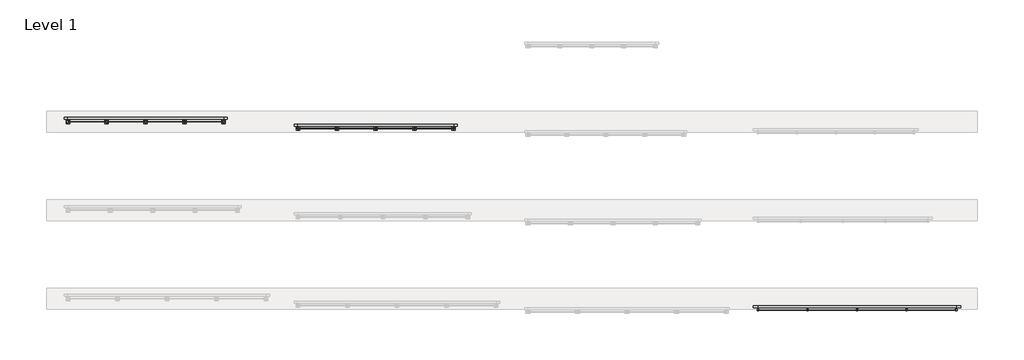
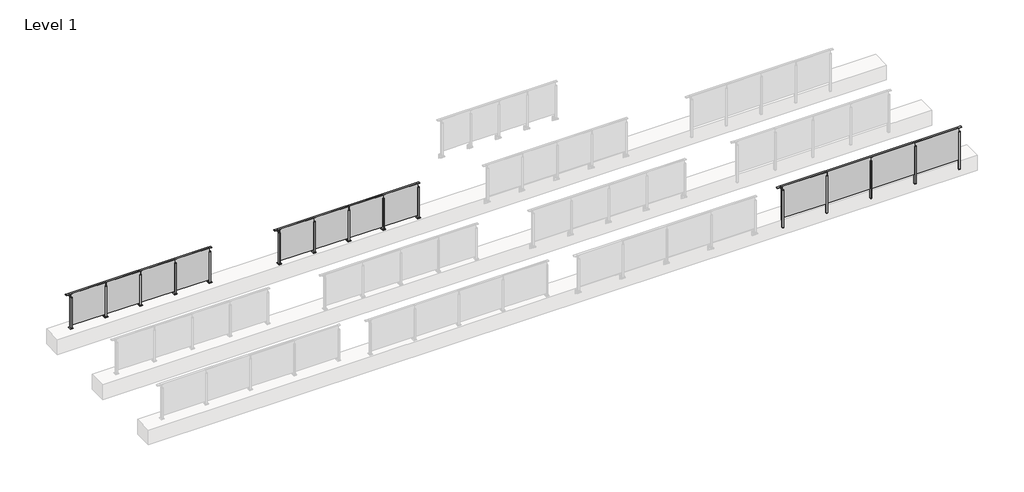
# One storey, part 62 of 64: 3 railings.
"""IFC4 building model written with IfcOpenShell, lengths in millimetres."""

from ifc_helpers import new_model, si_unit, point, frame, frame_2d, origin, origin_with_axes, place, context, project, spatial, polyline, circle_curve, trimmed, segment, composite_curve, outline, extrude, faceted_brep, element, save

model = new_model("IFC4")

# Units and contexts
model_context = context("Model", 3, world=origin())
ifc_project = project(units=[si_unit("LENGTHUNIT", "METRE", prefix="MILLI")], contexts=[model_context])

# Site, building, storey
site = spatial("IfcSite", under=ifc_project)
building = spatial("IfcBuilding", under=site)
storey = spatial("IfcBuildingStorey", under=building, Name="Level 1", Elevation=0.0)

# Railings
placement = place(None, origin())
element("IfcRailing", 1, at=placement, inside=storey, context=model_context, shape_type="SolidModel", body=[
    faceted_brep([(49500.0, 44993.1846828, 1085.0), (49500.0, 44993.1846828, 1100.0), (55100.0, 44993.1846828, 1100.0), (55100.0, 44993.1846828, 1085.0), (49500.0, 44933.1846828, 1085.0), (49500.0, 44973.1846828, 1085.0), (55100.0, 44973.1846828, 1085.0), (55100.0, 44933.1846828, 1085.0), (49500.0, 44933.1846828, 1100.0), (55100.0, 44933.1846828, 1100.0), (49372.5, 44993.1846828, 1100.0), (49372.5, 44993.1846828, 1085.0), (49372.5, 44978.1846828, 1085.0), (49372.5, 44978.1846828, 1073.0), (49372.5, 44973.1846828, 1073.0), (49372.5, 44973.1846828, 1085.0), (49372.5, 44933.1846828, 1085.0), (49372.5, 44933.1846828, 1100.0), (55227.5, 44993.1846828, 1100.0), (55227.5, 44933.1846828, 1100.0), (55227.5, 44933.1846828, 1085.0), (55227.5, 44973.1846828, 1085.0), (55227.5, 44973.1846828, 1073.0), (55227.5, 44978.1846828, 1073.0), (55227.5, 44978.1846828, 1085.0), (55227.5, 44993.1846828, 1085.0), (49500.0, 44978.1846828, 1085.0), (55100.0, 44978.1846828, 1085.0), (49500.0, 44978.1846828, 1073.0), (49500.0, 44973.1846828, 1073.0), (55100.0, 44978.1846828, 1073.0), (55100.0, 44973.1846828, 1073.0)], [[[0, 1, 2, 3]], [[4, 5, 6, 7]], [[8, 4, 7, 9]], [[1, 8, 9, 2]], [[10, 11, 12, 13, 14, 15, 16, 17]], [[11, 10, 1, 0]], [[16, 15, 5, 4]], [[17, 16, 4, 8]], [[10, 17, 8, 1]], [[18, 19, 20, 21, 22, 23, 24, 25]], [[3, 2, 18, 25]], [[7, 6, 21, 20]], [[9, 7, 20, 19]], [[2, 9, 19, 18]], [[12, 11, 0, 26]], [[26, 0, 3, 27]], [[27, 3, 25, 24]], [[13, 12, 26, 28]], [[14, 13, 28, 29]], [[15, 14, 29, 5]], [[28, 26, 27, 30]], [[29, 28, 30, 31]], [[5, 29, 31, 6]], [[30, 27, 24, 23]], [[31, 30, 23, 22]], [[6, 31, 22, 21]]]),
    extrude(outline(polyline([(53710.0, 44861.9094929), (53710.0, 44871.9094929), (55090.0, 44871.9094929), (55090.0, 44861.9094929), (53710.0, 44861.9094929)])), frame((0.0, 0.0, 95.0), z_axis=(0.0, 0.0, 1.0), x_axis=(1.0, 0.0, 0.0)), (0.0, 0.0, 1.0), 1055.0),
    extrude(outline(composite_curve([segment(polyline([(44978.1846828, 1085.0), (44978.1846828, 1060.900037)]), True, "CONTINUOUS"), segment(trimmed(circle_curve(frame_2d((44968.1846828, 1060.900037)), 10.0), [point((44978.1846828, 1060.900037))], [point((44970.7728733, 1051.2407787))], False, "CARTESIAN"), True, "CONTINUOUS"), segment(polyline([(44970.7728733, 1051.2407787), (44913.7244733, 1035.9547061)]), True, "CONTINUOUS"), segment(trimmed(circle_curve(frame_2d((44916.3126638, 1026.2954478)), 10.0), [point((44913.7244733, 1035.9547061))], [point((44906.3982152, 1027.6007097))], True, "CARTESIAN"), True, "CONTINUOUS"), segment(polyline([(44906.3982152, 1027.6007097), (44901.791393, 992.6084214)]), True, "CONTINUOUS"), segment(trimmed(circle_curve(frame_2d((44898.8170584, 993.0)), 3.0), [point((44901.791393, 992.6084214))], [point((44898.8170584, 990.0))], False, "CARTESIAN"), True, "CONTINUOUS"), segment(polyline([(44898.8170584, 990.0), (44890.1846828, 990.0), (44890.1846828, 1040.0), (44954.1846828, 1057.1487483), (44954.1846828, 1085.0), (44978.1846828, 1085.0)]), True, "CONTINUOUS")], self_intersect=False)), frame((53687.5, 0.0, 0.0), z_axis=(1.0, 0.0, 0.0), x_axis=(0.0, 1.0, 0.0)), (0.0, 0.0, 1.0), 25.0),
    extrude(outline(polyline([(53722.5, 44890.1846828), (53722.5, 44845.1846828), (53677.5, 44845.1846828), (53677.5, 44890.1846828), (53722.5, 44890.1846828)])), frame((0.0, 0.0, 1040.0), z_axis=(0.0, 0.0, 1.0), x_axis=(1.0, 0.0, 0.0)), (0.0, 0.0, 1.0), 5.0),
    extrude(outline(polyline([(53722.5, 44890.1846828), (53722.5, 44845.1846828), (53677.5, 44845.1846828), (53677.5, 44890.1846828), (53722.5, 44890.1846828)])), frame((0.0, 0.0, -212.0), z_axis=(0.0, 0.0, 1.0), x_axis=(1.0, 0.0, 0.0)), (0.0, 0.0, 1.0), 1252.0),
    extrude(outline(polyline([(53722.5, 44890.1846828), (53722.5, 44845.1846828), (53677.5, 44845.1846828), (53677.5, 44890.1846828), (53722.5, 44890.1846828)])), frame((0.0, 0.0, -220.0), z_axis=(0.0, 0.0, 1.0), x_axis=(1.0, 0.0, 0.0)), (0.0, 0.0, 1.0), 8.0),
    extrude(outline(polyline([(52310.0, 44861.9094929), (52310.0, 44871.9094929), (53690.0, 44871.9094929), (53690.0, 44861.9094929), (52310.0, 44861.9094929)])), frame((0.0, 0.0, 95.0), z_axis=(0.0, 0.0, 1.0), x_axis=(1.0, 0.0, 0.0)), (0.0, 0.0, 1.0), 1055.0),
    extrude(outline(composite_curve([segment(polyline([(44978.1846828, 1085.0), (44978.1846828, 1060.900037)]), True, "CONTINUOUS"), segment(trimmed(circle_curve(frame_2d((44968.1846828, 1060.900037)), 10.0), [point((44978.1846828, 1060.900037))], [point((44970.7728733, 1051.2407787))], False, "CARTESIAN"), True, "CONTINUOUS"), segment(polyline([(44970.7728733, 1051.2407787), (44913.7244733, 1035.9547061)]), True, "CONTINUOUS"), segment(trimmed(circle_curve(frame_2d((44916.3126638, 1026.2954478)), 10.0), [point((44913.7244733, 1035.9547061))], [point((44906.3982152, 1027.6007097))], True, "CARTESIAN"), True, "CONTINUOUS"), segment(polyline([(44906.3982152, 1027.6007097), (44901.791393, 992.6084214)]), True, "CONTINUOUS"), segment(trimmed(circle_curve(frame_2d((44898.8170584, 993.0)), 3.0), [point((44901.791393, 992.6084214))], [point((44898.8170584, 990.0))], False, "CARTESIAN"), True, "CONTINUOUS"), segment(polyline([(44898.8170584, 990.0), (44890.1846828, 990.0), (44890.1846828, 1040.0), (44954.1846828, 1057.1487483), (44954.1846828, 1085.0), (44978.1846828, 1085.0)]), True, "CONTINUOUS")], self_intersect=False)), frame((52287.5, 0.0, 0.0), z_axis=(1.0, 0.0, 0.0), x_axis=(0.0, 1.0, 0.0)), (0.0, 0.0, 1.0), 25.0),
    extrude(outline(polyline([(52322.5, 44890.1846828), (52322.5, 44845.1846828), (52277.5, 44845.1846828), (52277.5, 44890.1846828), (52322.5, 44890.1846828)])), frame((0.0, 0.0, 1040.0), z_axis=(0.0, 0.0, 1.0), x_axis=(1.0, 0.0, 0.0)), (0.0, 0.0, 1.0), 5.0),
    extrude(outline(polyline([(52322.5, 44890.1846828), (52322.5, 44845.1846828), (52277.5, 44845.1846828), (52277.5, 44890.1846828), (52322.5, 44890.1846828)])), frame((0.0, 0.0, -212.0), z_axis=(0.0, 0.0, 1.0), x_axis=(1.0, 0.0, 0.0)), (0.0, 0.0, 1.0), 1252.0),
    extrude(outline(polyline([(52322.5, 44890.1846828), (52322.5, 44845.1846828), (52277.5, 44845.1846828), (52277.5, 44890.1846828), (52322.5, 44890.1846828)])), frame((0.0, 0.0, -220.0), z_axis=(0.0, 0.0, 1.0), x_axis=(1.0, 0.0, 0.0)), (0.0, 0.0, 1.0), 8.0),
    extrude(outline(polyline([(50910.0, 44861.9094929), (50910.0, 44871.9094929), (52290.0, 44871.9094929), (52290.0, 44861.9094929), (50910.0, 44861.9094929)])), frame((0.0, 0.0, 95.0), z_axis=(0.0, 0.0, 1.0), x_axis=(1.0, 0.0, 0.0)), (0.0, 0.0, 1.0), 1055.0),
    extrude(outline(composite_curve([segment(polyline([(44978.1846828, 1085.0), (44978.1846828, 1060.900037)]), True, "CONTINUOUS"), segment(trimmed(circle_curve(frame_2d((44968.1846828, 1060.900037)), 10.0), [point((44978.1846828, 1060.900037))], [point((44970.7728733, 1051.2407787))], False, "CARTESIAN"), True, "CONTINUOUS"), segment(polyline([(44970.7728733, 1051.2407787), (44913.7244733, 1035.9547061)]), True, "CONTINUOUS"), segment(trimmed(circle_curve(frame_2d((44916.3126638, 1026.2954478)), 10.0), [point((44913.7244733, 1035.9547061))], [point((44906.3982152, 1027.6007097))], True, "CARTESIAN"), True, "CONTINUOUS"), segment(polyline([(44906.3982152, 1027.6007097), (44901.791393, 992.6084214)]), True, "CONTINUOUS"), segment(trimmed(circle_curve(frame_2d((44898.8170584, 993.0)), 3.0), [point((44901.791393, 992.6084214))], [point((44898.8170584, 990.0))], False, "CARTESIAN"), True, "CONTINUOUS"), segment(polyline([(44898.8170584, 990.0), (44890.1846828, 990.0), (44890.1846828, 1040.0), (44954.1846828, 1057.1487483), (44954.1846828, 1085.0), (44978.1846828, 1085.0)]), True, "CONTINUOUS")], self_intersect=False)), frame((50887.5, 0.0, 0.0), z_axis=(1.0, 0.0, 0.0), x_axis=(0.0, 1.0, 0.0)), (0.0, 0.0, 1.0), 25.0),
    extrude(outline(polyline([(50922.5, 44890.1846828), (50922.5, 44845.1846828), (50877.5, 44845.1846828), (50877.5, 44890.1846828), (50922.5, 44890.1846828)])), frame((0.0, 0.0, 1040.0), z_axis=(0.0, 0.0, 1.0), x_axis=(1.0, 0.0, 0.0)), (0.0, 0.0, 1.0), 5.0),
    extrude(outline(polyline([(50922.5, 44890.1846828), (50922.5, 44845.1846828), (50877.5, 44845.1846828), (50877.5, 44890.1846828), (50922.5, 44890.1846828)])), frame((0.0, 0.0, -212.0), z_axis=(0.0, 0.0, 1.0), x_axis=(1.0, 0.0, 0.0)), (0.0, 0.0, 1.0), 1252.0),
    extrude(outline(polyline([(50922.5, 44890.1846828), (50922.5, 44845.1846828), (50877.5, 44845.1846828), (50877.5, 44890.1846828), (50922.5, 44890.1846828)])), frame((0.0, 0.0, -220.0), z_axis=(0.0, 0.0, 1.0), x_axis=(1.0, 0.0, 0.0)), (0.0, 0.0, 1.0), 8.0),
    extrude(outline(polyline([(49510.0, 44861.9094929), (49510.0, 44871.9094929), (50890.0, 44871.9094929), (50890.0, 44861.9094929), (49510.0, 44861.9094929)])), frame((0.0, 0.0, 95.0), z_axis=(0.0, 0.0, 1.0), x_axis=(1.0, 0.0, 0.0)), (0.0, 0.0, 1.0), 1055.0),
    extrude(outline(composite_curve([segment(polyline([(44978.1846828, 1085.0), (44978.1846828, 1060.900037)]), True, "CONTINUOUS"), segment(trimmed(circle_curve(frame_2d((44968.1846828, 1060.900037)), 10.0), [point((44978.1846828, 1060.900037))], [point((44970.7728733, 1051.2407787))], False, "CARTESIAN"), True, "CONTINUOUS"), segment(polyline([(44970.7728733, 1051.2407787), (44913.7244733, 1035.9547061)]), True, "CONTINUOUS"), segment(trimmed(circle_curve(frame_2d((44916.3126638, 1026.2954478)), 10.0), [point((44913.7244733, 1035.9547061))], [point((44906.3982152, 1027.6007097))], True, "CARTESIAN"), True, "CONTINUOUS"), segment(polyline([(44906.3982152, 1027.6007097), (44901.791393, 992.6084214)]), True, "CONTINUOUS"), segment(trimmed(circle_curve(frame_2d((44898.8170584, 993.0)), 3.0), [point((44901.791393, 992.6084214))], [point((44898.8170584, 990.0))], False, "CARTESIAN"), True, "CONTINUOUS"), segment(polyline([(44898.8170584, 990.0), (44890.1846828, 990.0), (44890.1846828, 1040.0), (44954.1846828, 1057.1487483), (44954.1846828, 1085.0), (44978.1846828, 1085.0)]), True, "CONTINUOUS")], self_intersect=False)), frame((55087.5, 0.0, 0.0), z_axis=(1.0, 0.0, 0.0), x_axis=(0.0, 1.0, 0.0)), (0.0, 0.0, 1.0), 25.0),
    extrude(outline(polyline([(55122.5, 44890.1846828), (55122.5, 44845.1846828), (55077.5, 44845.1846828), (55077.5, 44890.1846828), (55122.5, 44890.1846828)])), frame((0.0, 0.0, 1040.0), z_axis=(0.0, 0.0, 1.0), x_axis=(1.0, 0.0, 0.0)), (0.0, 0.0, 1.0), 5.0),
    extrude(outline(polyline([(55122.5, 44890.1846828), (55122.5, 44845.1846828), (55077.5, 44845.1846828), (55077.5, 44890.1846828), (55122.5, 44890.1846828)])), frame((0.0, 0.0, -212.0), z_axis=(0.0, 0.0, 1.0), x_axis=(1.0, 0.0, 0.0)), (0.0, 0.0, 1.0), 1252.0),
    extrude(outline(polyline([(55122.5, 44890.1846828), (55122.5, 44845.1846828), (55077.5, 44845.1846828), (55077.5, 44890.1846828), (55122.5, 44890.1846828)])), frame((0.0, 0.0, -220.0), z_axis=(0.0, 0.0, 1.0), x_axis=(1.0, 0.0, 0.0)), (0.0, 0.0, 1.0), 8.0),
    extrude(outline(composite_curve([segment(polyline([(44978.1846828, 1085.0), (44978.1846828, 1060.900037)]), True, "CONTINUOUS"), segment(trimmed(circle_curve(frame_2d((44968.1846828, 1060.900037)), 10.0), [point((44978.1846828, 1060.900037))], [point((44970.7728733, 1051.2407787))], False, "CARTESIAN"), True, "CONTINUOUS"), segment(polyline([(44970.7728733, 1051.2407787), (44913.7244733, 1035.9547061)]), True, "CONTINUOUS"), segment(trimmed(circle_curve(frame_2d((44916.3126638, 1026.2954478)), 10.0), [point((44913.7244733, 1035.9547061))], [point((44906.3982152, 1027.6007097))], True, "CARTESIAN"), True, "CONTINUOUS"), segment(polyline([(44906.3982152, 1027.6007097), (44901.791393, 992.6084214)]), True, "CONTINUOUS"), segment(trimmed(circle_curve(frame_2d((44898.8170584, 993.0)), 3.0), [point((44901.791393, 992.6084214))], [point((44898.8170584, 990.0))], False, "CARTESIAN"), True, "CONTINUOUS"), segment(polyline([(44898.8170584, 990.0), (44890.1846828, 990.0), (44890.1846828, 1040.0), (44954.1846828, 1057.1487483), (44954.1846828, 1085.0), (44978.1846828, 1085.0)]), True, "CONTINUOUS")], self_intersect=False)), frame((49487.5, 0.0, 0.0), z_axis=(1.0, 0.0, 0.0), x_axis=(0.0, 1.0, 0.0)), (0.0, 0.0, 1.0), 25.0),
    extrude(outline(polyline([(49522.5, 44890.1846828), (49522.5, 44845.1846828), (49477.5, 44845.1846828), (49477.5, 44890.1846828), (49522.5, 44890.1846828)])), frame((0.0, 0.0, 1040.0), z_axis=(0.0, 0.0, 1.0), x_axis=(1.0, 0.0, 0.0)), (0.0, 0.0, 1.0), 5.0),
    extrude(outline(polyline([(49522.5, 44890.1846828), (49522.5, 44845.1846828), (49477.5, 44845.1846828), (49477.5, 44890.1846828), (49522.5, 44890.1846828)])), frame((0.0, 0.0, -212.0), z_axis=(0.0, 0.0, 1.0), x_axis=(1.0, 0.0, 0.0)), (0.0, 0.0, 1.0), 1252.0),
    extrude(outline(polyline([(49522.5, 44890.1846828), (49522.5, 44845.1846828), (49477.5, 44845.1846828), (49477.5, 44890.1846828), (49522.5, 44890.1846828)])), frame((0.0, 0.0, -220.0), z_axis=(0.0, 0.0, 1.0), x_axis=(1.0, 0.0, 0.0)), (0.0, 0.0, 1.0), 8.0),
])
element("IfcRailing", 2, at=placement, inside=storey, context=model_context, shape_type="SolidModel", body=[
    faceted_brep([(30000.0, 50315.6846828, 1085.0), (30000.0, 50315.6846828, 1100.0), (34400.0, 50315.6846828, 1100.0), (34400.0, 50315.6846828, 1085.0), (30000.0, 50255.6846828, 1085.0), (30000.0, 50295.6846828, 1085.0), (34400.0, 50295.6846828, 1085.0), (34400.0, 50255.6846828, 1085.0), (30000.0, 50255.6846828, 1100.0), (34400.0, 50255.6846828, 1100.0), (29900.0, 50315.6846828, 1100.0), (29900.0, 50315.6846828, 1085.0), (29900.0, 50300.6846828, 1085.0), (29900.0, 50300.6846828, 1073.0), (29900.0, 50295.6846828, 1073.0), (29900.0, 50295.6846828, 1085.0), (29900.0, 50255.6846828, 1085.0), (29900.0, 50255.6846828, 1100.0), (34500.0, 50315.6846828, 1100.0), (34500.0, 50255.6846828, 1100.0), (34500.0, 50255.6846828, 1085.0), (34500.0, 50295.6846828, 1085.0), (34500.0, 50295.6846828, 1073.0), (34500.0, 50300.6846828, 1073.0), (34500.0, 50300.6846828, 1085.0), (34500.0, 50315.6846828, 1085.0), (30000.0, 50300.6846828, 1085.0), (34400.0, 50300.6846828, 1085.0), (30000.0, 50300.6846828, 1073.0), (30000.0, 50295.6846828, 1073.0), (34400.0, 50300.6846828, 1073.0), (34400.0, 50295.6846828, 1073.0)], [[[0, 1, 2, 3]], [[4, 5, 6, 7]], [[8, 4, 7, 9]], [[1, 8, 9, 2]], [[10, 11, 12, 13, 14, 15, 16, 17]], [[11, 10, 1, 0]], [[16, 15, 5, 4]], [[17, 16, 4, 8]], [[10, 17, 8, 1]], [[18, 19, 20, 21, 22, 23, 24, 25]], [[3, 2, 18, 25]], [[7, 6, 21, 20]], [[9, 7, 20, 19]], [[2, 9, 19, 18]], [[12, 11, 0, 26]], [[26, 0, 3, 27]], [[27, 3, 25, 24]], [[13, 12, 26, 28]], [[14, 13, 28, 29]], [[15, 14, 29, 5]], [[28, 26, 27, 30]], [[29, 28, 30, 31]], [[5, 29, 31, 6]], [[30, 27, 24, 23]], [[31, 30, 23, 22]], [[6, 31, 22, 21]]]),
    extrude(outline(polyline([(33310.0, 50184.4094929), (33310.0, 50194.4094929), (34390.0, 50194.4094929), (34390.0, 50184.4094929), (33310.0, 50184.4094929)])), frame((0.0, 0.0, 95.0), z_axis=(0.0, 0.0, 1.0), x_axis=(1.0, 0.0, 0.0)), (0.0, 0.0, 1.0), 1055.0),
    extrude(outline(composite_curve([segment(polyline([(50300.6846828, 1085.0), (50300.6846828, 1060.900037)]), True, "CONTINUOUS"), segment(trimmed(circle_curve(frame_2d((50290.6846828, 1060.900037)), 10.0), [point((50300.6846828, 1060.900037))], [point((50293.2728733, 1051.2407787))], False, "CARTESIAN"), True, "CONTINUOUS"), segment(polyline([(50293.2728733, 1051.2407787), (50236.2244733, 1035.9547061)]), True, "CONTINUOUS"), segment(trimmed(circle_curve(frame_2d((50238.8126638, 1026.2954478)), 10.0), [point((50236.2244733, 1035.9547061))], [point((50228.8982152, 1027.6007097))], True, "CARTESIAN"), True, "CONTINUOUS"), segment(polyline([(50228.8982152, 1027.6007097), (50224.291393, 992.6084214)]), True, "CONTINUOUS"), segment(trimmed(circle_curve(frame_2d((50221.3170584, 993.0)), 3.0), [point((50224.291393, 992.6084214))], [point((50221.3170584, 990.0))], False, "CARTESIAN"), True, "CONTINUOUS"), segment(polyline([(50221.3170584, 990.0), (50212.6846828, 990.0), (50212.6846828, 1040.0), (50276.6846828, 1057.1487483), (50276.6846828, 1085.0), (50300.6846828, 1085.0)]), True, "CONTINUOUS")], self_intersect=False)), frame((33287.5, 0.0, 0.0), z_axis=(1.0, 0.0, 0.0), x_axis=(0.0, 1.0, 0.0)), (0.0, 0.0, 1.0), 25.0),
    extrude(outline(polyline([(33322.5, 50212.6846828), (33322.5, 50167.6846828), (33277.5, 50167.6846828), (33277.5, 50212.6846828), (33322.5, 50212.6846828)])), frame((0.0, 0.0, 1040.0), z_axis=(0.0, 0.0, 1.0), x_axis=(1.0, 0.0, 0.0)), (0.0, 0.0, 1.0), 5.0),
    extrude(outline(polyline([(33350.0, 50240.1846828), (33350.0, 50140.1846828), (33250.0, 50140.1846828), (33250.0, 50240.1846828), (33350.0, 50240.1846828)])), origin_with_axes(), (0.0, 0.0, 1.0), 12.0),
    extrude(outline(polyline([(33322.5, 50212.6846828), (33322.5, 50167.6846828), (33277.5, 50167.6846828), (33277.5, 50212.6846828), (33322.5, 50212.6846828)])), frame((0.0, 0.0, 12.0), z_axis=(0.0, 0.0, 1.0), x_axis=(1.0, 0.0, 0.0)), (0.0, 0.0, 1.0), 1028.0),
    extrude(outline(polyline([(32210.0, 50184.4094929), (32210.0, 50194.4094929), (33290.0, 50194.4094929), (33290.0, 50184.4094929), (32210.0, 50184.4094929)])), frame((0.0, 0.0, 95.0), z_axis=(0.0, 0.0, 1.0), x_axis=(1.0, 0.0, 0.0)), (0.0, 0.0, 1.0), 1055.0),
    extrude(outline(composite_curve([segment(polyline([(50300.6846828, 1085.0), (50300.6846828, 1060.900037)]), True, "CONTINUOUS"), segment(trimmed(circle_curve(frame_2d((50290.6846828, 1060.900037)), 10.0), [point((50300.6846828, 1060.900037))], [point((50293.2728733, 1051.2407787))], False, "CARTESIAN"), True, "CONTINUOUS"), segment(polyline([(50293.2728733, 1051.2407787), (50236.2244733, 1035.9547061)]), True, "CONTINUOUS"), segment(trimmed(circle_curve(frame_2d((50238.8126638, 1026.2954478)), 10.0), [point((50236.2244733, 1035.9547061))], [point((50228.8982152, 1027.6007097))], True, "CARTESIAN"), True, "CONTINUOUS"), segment(polyline([(50228.8982152, 1027.6007097), (50224.291393, 992.6084214)]), True, "CONTINUOUS"), segment(trimmed(circle_curve(frame_2d((50221.3170584, 993.0)), 3.0), [point((50224.291393, 992.6084214))], [point((50221.3170584, 990.0))], False, "CARTESIAN"), True, "CONTINUOUS"), segment(polyline([(50221.3170584, 990.0), (50212.6846828, 990.0), (50212.6846828, 1040.0), (50276.6846828, 1057.1487483), (50276.6846828, 1085.0), (50300.6846828, 1085.0)]), True, "CONTINUOUS")], self_intersect=False)), frame((32187.5, 0.0, 0.0), z_axis=(1.0, 0.0, 0.0), x_axis=(0.0, 1.0, 0.0)), (0.0, 0.0, 1.0), 25.0),
    extrude(outline(polyline([(32222.5, 50212.6846828), (32222.5, 50167.6846828), (32177.5, 50167.6846828), (32177.5, 50212.6846828), (32222.5, 50212.6846828)])), frame((0.0, 0.0, 1040.0), z_axis=(0.0, 0.0, 1.0), x_axis=(1.0, 0.0, 0.0)), (0.0, 0.0, 1.0), 5.0),
    extrude(outline(polyline([(32250.0, 50240.1846828), (32250.0, 50140.1846828), (32150.0, 50140.1846828), (32150.0, 50240.1846828), (32250.0, 50240.1846828)])), origin_with_axes(), (0.0, 0.0, 1.0), 12.0),
    extrude(outline(polyline([(32222.5, 50212.6846828), (32222.5, 50167.6846828), (32177.5, 50167.6846828), (32177.5, 50212.6846828), (32222.5, 50212.6846828)])), frame((0.0, 0.0, 12.0), z_axis=(0.0, 0.0, 1.0), x_axis=(1.0, 0.0, 0.0)), (0.0, 0.0, 1.0), 1028.0),
    extrude(outline(polyline([(31110.0, 50184.4094929), (31110.0, 50194.4094929), (32190.0, 50194.4094929), (32190.0, 50184.4094929), (31110.0, 50184.4094929)])), frame((0.0, 0.0, 95.0), z_axis=(0.0, 0.0, 1.0), x_axis=(1.0, 0.0, 0.0)), (0.0, 0.0, 1.0), 1055.0),
    extrude(outline(composite_curve([segment(polyline([(50300.6846828, 1085.0), (50300.6846828, 1060.900037)]), True, "CONTINUOUS"), segment(trimmed(circle_curve(frame_2d((50290.6846828, 1060.900037)), 10.0), [point((50300.6846828, 1060.900037))], [point((50293.2728733, 1051.2407787))], False, "CARTESIAN"), True, "CONTINUOUS"), segment(polyline([(50293.2728733, 1051.2407787), (50236.2244733, 1035.9547061)]), True, "CONTINUOUS"), segment(trimmed(circle_curve(frame_2d((50238.8126638, 1026.2954478)), 10.0), [point((50236.2244733, 1035.9547061))], [point((50228.8982152, 1027.6007097))], True, "CARTESIAN"), True, "CONTINUOUS"), segment(polyline([(50228.8982152, 1027.6007097), (50224.291393, 992.6084214)]), True, "CONTINUOUS"), segment(trimmed(circle_curve(frame_2d((50221.3170584, 993.0)), 3.0), [point((50224.291393, 992.6084214))], [point((50221.3170584, 990.0))], False, "CARTESIAN"), True, "CONTINUOUS"), segment(polyline([(50221.3170584, 990.0), (50212.6846828, 990.0), (50212.6846828, 1040.0), (50276.6846828, 1057.1487483), (50276.6846828, 1085.0), (50300.6846828, 1085.0)]), True, "CONTINUOUS")], self_intersect=False)), frame((31087.5, 0.0, 0.0), z_axis=(1.0, 0.0, 0.0), x_axis=(0.0, 1.0, 0.0)), (0.0, 0.0, 1.0), 25.0),
    extrude(outline(polyline([(31122.5, 50212.6846828), (31122.5, 50167.6846828), (31077.5, 50167.6846828), (31077.5, 50212.6846828), (31122.5, 50212.6846828)])), frame((0.0, 0.0, 1040.0), z_axis=(0.0, 0.0, 1.0), x_axis=(1.0, 0.0, 0.0)), (0.0, 0.0, 1.0), 5.0),
    extrude(outline(polyline([(31150.0, 50240.1846828), (31150.0, 50140.1846828), (31050.0, 50140.1846828), (31050.0, 50240.1846828), (31150.0, 50240.1846828)])), origin_with_axes(), (0.0, 0.0, 1.0), 12.0),
    extrude(outline(polyline([(31122.5, 50212.6846828), (31122.5, 50167.6846828), (31077.5, 50167.6846828), (31077.5, 50212.6846828), (31122.5, 50212.6846828)])), frame((0.0, 0.0, 12.0), z_axis=(0.0, 0.0, 1.0), x_axis=(1.0, 0.0, 0.0)), (0.0, 0.0, 1.0), 1028.0),
    extrude(outline(polyline([(30010.0, 50184.4094929), (30010.0, 50194.4094929), (31090.0, 50194.4094929), (31090.0, 50184.4094929), (30010.0, 50184.4094929)])), frame((0.0, 0.0, 95.0), z_axis=(0.0, 0.0, 1.0), x_axis=(1.0, 0.0, 0.0)), (0.0, 0.0, 1.0), 1055.0),
    extrude(outline(composite_curve([segment(polyline([(50300.6846828, 1085.0), (50300.6846828, 1060.900037)]), True, "CONTINUOUS"), segment(trimmed(circle_curve(frame_2d((50290.6846828, 1060.900037)), 10.0), [point((50300.6846828, 1060.900037))], [point((50293.2728733, 1051.2407787))], False, "CARTESIAN"), True, "CONTINUOUS"), segment(polyline([(50293.2728733, 1051.2407787), (50236.2244733, 1035.9547061)]), True, "CONTINUOUS"), segment(trimmed(circle_curve(frame_2d((50238.8126638, 1026.2954478)), 10.0), [point((50236.2244733, 1035.9547061))], [point((50228.8982152, 1027.6007097))], True, "CARTESIAN"), True, "CONTINUOUS"), segment(polyline([(50228.8982152, 1027.6007097), (50224.291393, 992.6084214)]), True, "CONTINUOUS"), segment(trimmed(circle_curve(frame_2d((50221.3170584, 993.0)), 3.0), [point((50224.291393, 992.6084214))], [point((50221.3170584, 990.0))], False, "CARTESIAN"), True, "CONTINUOUS"), segment(polyline([(50221.3170584, 990.0), (50212.6846828, 990.0), (50212.6846828, 1040.0), (50276.6846828, 1057.1487483), (50276.6846828, 1085.0), (50300.6846828, 1085.0)]), True, "CONTINUOUS")], self_intersect=False)), frame((34387.5, 0.0, 0.0), z_axis=(1.0, 0.0, 0.0), x_axis=(0.0, 1.0, 0.0)), (0.0, 0.0, 1.0), 25.0),
    extrude(outline(polyline([(34422.5, 50212.6846828), (34422.5, 50167.6846828), (34377.5, 50167.6846828), (34377.5, 50212.6846828), (34422.5, 50212.6846828)])), frame((0.0, 0.0, 1040.0), z_axis=(0.0, 0.0, 1.0), x_axis=(1.0, 0.0, 0.0)), (0.0, 0.0, 1.0), 5.0),
    extrude(outline(polyline([(34450.0, 50240.1846828), (34450.0, 50140.1846828), (34350.0, 50140.1846828), (34350.0, 50240.1846828), (34450.0, 50240.1846828)])), origin_with_axes(), (0.0, 0.0, 1.0), 12.0),
    extrude(outline(polyline([(34422.5, 50212.6846828), (34422.5, 50167.6846828), (34377.5, 50167.6846828), (34377.5, 50212.6846828), (34422.5, 50212.6846828)])), frame((0.0, 0.0, 12.0), z_axis=(0.0, 0.0, 1.0), x_axis=(1.0, 0.0, 0.0)), (0.0, 0.0, 1.0), 1028.0),
    extrude(outline(composite_curve([segment(polyline([(50300.6846828, 1085.0), (50300.6846828, 1060.900037)]), True, "CONTINUOUS"), segment(trimmed(circle_curve(frame_2d((50290.6846828, 1060.900037)), 10.0), [point((50300.6846828, 1060.900037))], [point((50293.2728733, 1051.2407787))], False, "CARTESIAN"), True, "CONTINUOUS"), segment(polyline([(50293.2728733, 1051.2407787), (50236.2244733, 1035.9547061)]), True, "CONTINUOUS"), segment(trimmed(circle_curve(frame_2d((50238.8126638, 1026.2954478)), 10.0), [point((50236.2244733, 1035.9547061))], [point((50228.8982152, 1027.6007097))], True, "CARTESIAN"), True, "CONTINUOUS"), segment(polyline([(50228.8982152, 1027.6007097), (50224.291393, 992.6084214)]), True, "CONTINUOUS"), segment(trimmed(circle_curve(frame_2d((50221.3170584, 993.0)), 3.0), [point((50224.291393, 992.6084214))], [point((50221.3170584, 990.0))], False, "CARTESIAN"), True, "CONTINUOUS"), segment(polyline([(50221.3170584, 990.0), (50212.6846828, 990.0), (50212.6846828, 1040.0), (50276.6846828, 1057.1487483), (50276.6846828, 1085.0), (50300.6846828, 1085.0)]), True, "CONTINUOUS")], self_intersect=False)), frame((29987.5, 0.0, 0.0), z_axis=(1.0, 0.0, 0.0), x_axis=(0.0, 1.0, 0.0)), (0.0, 0.0, 1.0), 25.0),
    extrude(outline(polyline([(30022.5, 50212.6846828), (30022.5, 50167.6846828), (29977.5, 50167.6846828), (29977.5, 50212.6846828), (30022.5, 50212.6846828)])), frame((0.0, 0.0, 1040.0), z_axis=(0.0, 0.0, 1.0), x_axis=(1.0, 0.0, 0.0)), (0.0, 0.0, 1.0), 5.0),
    extrude(outline(polyline([(30050.0, 50240.1846828), (30050.0, 50140.1846828), (29950.0, 50140.1846828), (29950.0, 50240.1846828), (30050.0, 50240.1846828)])), origin_with_axes(), (0.0, 0.0, 1.0), 12.0),
    extrude(outline(polyline([(30022.5, 50212.6846828), (30022.5, 50167.6846828), (29977.5, 50167.6846828), (29977.5, 50212.6846828), (30022.5, 50212.6846828)])), frame((0.0, 0.0, 12.0), z_axis=(0.0, 0.0, 1.0), x_axis=(1.0, 0.0, 0.0)), (0.0, 0.0, 1.0), 1028.0),
])
element("IfcRailing", 3, at=placement, inside=storey, context=model_context, shape_type="SolidModel", body=[
    faceted_brep([(36500.0, 50125.6846828, 1085.0), (36500.0, 50125.6846828, 1100.0), (40900.0, 50125.6846828, 1100.0), (40900.0, 50125.6846828, 1085.0), (36500.0, 50065.6846828, 1085.0), (36500.0, 50105.6846828, 1085.0), (40900.0, 50105.6846828, 1085.0), (40900.0, 50065.6846828, 1085.0), (36500.0, 50065.6846828, 1100.0), (40900.0, 50065.6846828, 1100.0), (36400.0, 50125.6846828, 1100.0), (36400.0, 50125.6846828, 1085.0), (36400.0, 50110.6846828, 1085.0), (36400.0, 50110.6846828, 1073.0), (36400.0, 50105.6846828, 1073.0), (36400.0, 50105.6846828, 1085.0), (36400.0, 50065.6846828, 1085.0), (36400.0, 50065.6846828, 1100.0), (41000.0, 50125.6846828, 1100.0), (41000.0, 50065.6846828, 1100.0), (41000.0, 50065.6846828, 1085.0), (41000.0, 50105.6846828, 1085.0), (41000.0, 50105.6846828, 1073.0), (41000.0, 50110.6846828, 1073.0), (41000.0, 50110.6846828, 1085.0), (41000.0, 50125.6846828, 1085.0), (36500.0, 50110.6846828, 1085.0), (40900.0, 50110.6846828, 1085.0), (36500.0, 50110.6846828, 1073.0), (36500.0, 50105.6846828, 1073.0), (40900.0, 50110.6846828, 1073.0), (40900.0, 50105.6846828, 1073.0)], [[[0, 1, 2, 3]], [[4, 5, 6, 7]], [[8, 4, 7, 9]], [[1, 8, 9, 2]], [[10, 11, 12, 13, 14, 15, 16, 17]], [[11, 10, 1, 0]], [[16, 15, 5, 4]], [[17, 16, 4, 8]], [[10, 17, 8, 1]], [[18, 19, 20, 21, 22, 23, 24, 25]], [[3, 2, 18, 25]], [[7, 6, 21, 20]], [[9, 7, 20, 19]], [[2, 9, 19, 18]], [[12, 11, 0, 26]], [[26, 0, 3, 27]], [[27, 3, 25, 24]], [[13, 12, 26, 28]], [[14, 13, 28, 29]], [[15, 14, 29, 5]], [[28, 26, 27, 30]], [[29, 28, 30, 31]], [[5, 29, 31, 6]], [[30, 27, 24, 23]], [[31, 30, 23, 22]], [[6, 31, 22, 21]]]),
    extrude(outline(polyline([(39810.0, 49994.4094929), (39810.0, 50004.4094929), (40890.0, 50004.4094929), (40890.0, 49994.4094929), (39810.0, 49994.4094929)])), frame((0.0, 0.0, 95.0), z_axis=(0.0, 0.0, 1.0), x_axis=(1.0, 0.0, 0.0)), (0.0, 0.0, 1.0), 1055.0),
    extrude(outline(composite_curve([segment(polyline([(50110.6846828, 1085.0), (50110.6846828, 1060.900037)]), True, "CONTINUOUS"), segment(trimmed(circle_curve(frame_2d((50100.6846828, 1060.900037)), 10.0), [point((50110.6846828, 1060.900037))], [point((50103.2728733, 1051.2407787))], False, "CARTESIAN"), True, "CONTINUOUS"), segment(polyline([(50103.2728733, 1051.2407787), (50046.2244733, 1035.9547061)]), True, "CONTINUOUS"), segment(trimmed(circle_curve(frame_2d((50048.8126638, 1026.2954478)), 10.0), [point((50046.2244733, 1035.9547061))], [point((50038.8982152, 1027.6007097))], True, "CARTESIAN"), True, "CONTINUOUS"), segment(polyline([(50038.8982152, 1027.6007097), (50034.291393, 992.6084214)]), True, "CONTINUOUS"), segment(trimmed(circle_curve(frame_2d((50031.3170584, 993.0)), 3.0), [point((50034.291393, 992.6084214))], [point((50031.3170584, 990.0))], False, "CARTESIAN"), True, "CONTINUOUS"), segment(polyline([(50031.3170584, 990.0), (50022.6846828, 990.0), (50022.6846828, 1040.0), (50086.6846828, 1057.1487483), (50086.6846828, 1085.0), (50110.6846828, 1085.0)]), True, "CONTINUOUS")], self_intersect=False)), frame((39787.5, 0.0, 0.0), z_axis=(1.0, 0.0, 0.0), x_axis=(0.0, 1.0, 0.0)), (0.0, 0.0, 1.0), 25.0),
    extrude(outline(polyline([(39822.5, 50022.6846828), (39822.5, 49977.6846828), (39777.5, 49977.6846828), (39777.5, 50022.6846828), (39822.5, 50022.6846828)])), frame((0.0, 0.0, 1040.0), z_axis=(0.0, 0.0, 1.0), x_axis=(1.0, 0.0, 0.0)), (0.0, 0.0, 1.0), 5.0),
    extrude(outline(polyline([(39850.0, 50050.1846828), (39850.0, 49950.1846828), (39750.0, 49950.1846828), (39750.0, 50050.1846828), (39850.0, 50050.1846828)])), origin_with_axes(), (0.0, 0.0, 1.0), 12.0),
    extrude(outline(polyline([(39822.5, 50022.6846828), (39822.5, 49977.6846828), (39777.5, 49977.6846828), (39777.5, 50022.6846828), (39822.5, 50022.6846828)])), frame((0.0, 0.0, 12.0), z_axis=(0.0, 0.0, 1.0), x_axis=(1.0, 0.0, 0.0)), (0.0, 0.0, 1.0), 1028.0),
    extrude(outline(polyline([(38710.0, 49994.4094929), (38710.0, 50004.4094929), (39790.0, 50004.4094929), (39790.0, 49994.4094929), (38710.0, 49994.4094929)])), frame((0.0, 0.0, 95.0), z_axis=(0.0, 0.0, 1.0), x_axis=(1.0, 0.0, 0.0)), (0.0, 0.0, 1.0), 1055.0),
    extrude(outline(composite_curve([segment(polyline([(50110.6846828, 1085.0), (50110.6846828, 1060.900037)]), True, "CONTINUOUS"), segment(trimmed(circle_curve(frame_2d((50100.6846828, 1060.900037)), 10.0), [point((50110.6846828, 1060.900037))], [point((50103.2728733, 1051.2407787))], False, "CARTESIAN"), True, "CONTINUOUS"), segment(polyline([(50103.2728733, 1051.2407787), (50046.2244733, 1035.9547061)]), True, "CONTINUOUS"), segment(trimmed(circle_curve(frame_2d((50048.8126638, 1026.2954478)), 10.0), [point((50046.2244733, 1035.9547061))], [point((50038.8982152, 1027.6007097))], True, "CARTESIAN"), True, "CONTINUOUS"), segment(polyline([(50038.8982152, 1027.6007097), (50034.291393, 992.6084214)]), True, "CONTINUOUS"), segment(trimmed(circle_curve(frame_2d((50031.3170584, 993.0)), 3.0), [point((50034.291393, 992.6084214))], [point((50031.3170584, 990.0))], False, "CARTESIAN"), True, "CONTINUOUS"), segment(polyline([(50031.3170584, 990.0), (50022.6846828, 990.0), (50022.6846828, 1040.0), (50086.6846828, 1057.1487483), (50086.6846828, 1085.0), (50110.6846828, 1085.0)]), True, "CONTINUOUS")], self_intersect=False)), frame((38687.5, 0.0, 0.0), z_axis=(1.0, 0.0, 0.0), x_axis=(0.0, 1.0, 0.0)), (0.0, 0.0, 1.0), 25.0),
    extrude(outline(polyline([(38722.5, 50022.6846828), (38722.5, 49977.6846828), (38677.5, 49977.6846828), (38677.5, 50022.6846828), (38722.5, 50022.6846828)])), frame((0.0, 0.0, 1040.0), z_axis=(0.0, 0.0, 1.0), x_axis=(1.0, 0.0, 0.0)), (0.0, 0.0, 1.0), 5.0),
    extrude(outline(polyline([(38750.0, 50050.1846828), (38750.0, 49950.1846828), (38650.0, 49950.1846828), (38650.0, 50050.1846828), (38750.0, 50050.1846828)])), origin_with_axes(), (0.0, 0.0, 1.0), 12.0),
    extrude(outline(polyline([(38722.5, 50022.6846828), (38722.5, 49977.6846828), (38677.5, 49977.6846828), (38677.5, 50022.6846828), (38722.5, 50022.6846828)])), frame((0.0, 0.0, 12.0), z_axis=(0.0, 0.0, 1.0), x_axis=(1.0, 0.0, 0.0)), (0.0, 0.0, 1.0), 1028.0),
    extrude(outline(polyline([(37610.0, 49994.4094929), (37610.0, 50004.4094929), (38690.0, 50004.4094929), (38690.0, 49994.4094929), (37610.0, 49994.4094929)])), frame((0.0, 0.0, 95.0), z_axis=(0.0, 0.0, 1.0), x_axis=(1.0, 0.0, 0.0)), (0.0, 0.0, 1.0), 1055.0),
    extrude(outline(composite_curve([segment(polyline([(50110.6846828, 1085.0), (50110.6846828, 1060.900037)]), True, "CONTINUOUS"), segment(trimmed(circle_curve(frame_2d((50100.6846828, 1060.900037)), 10.0), [point((50110.6846828, 1060.900037))], [point((50103.2728733, 1051.2407787))], False, "CARTESIAN"), True, "CONTINUOUS"), segment(polyline([(50103.2728733, 1051.2407787), (50046.2244733, 1035.9547061)]), True, "CONTINUOUS"), segment(trimmed(circle_curve(frame_2d((50048.8126638, 1026.2954478)), 10.0), [point((50046.2244733, 1035.9547061))], [point((50038.8982152, 1027.6007097))], True, "CARTESIAN"), True, "CONTINUOUS"), segment(polyline([(50038.8982152, 1027.6007097), (50034.291393, 992.6084214)]), True, "CONTINUOUS"), segment(trimmed(circle_curve(frame_2d((50031.3170584, 993.0)), 3.0), [point((50034.291393, 992.6084214))], [point((50031.3170584, 990.0))], False, "CARTESIAN"), True, "CONTINUOUS"), segment(polyline([(50031.3170584, 990.0), (50022.6846828, 990.0), (50022.6846828, 1040.0), (50086.6846828, 1057.1487483), (50086.6846828, 1085.0), (50110.6846828, 1085.0)]), True, "CONTINUOUS")], self_intersect=False)), frame((37587.5, 0.0, 0.0), z_axis=(1.0, 0.0, 0.0), x_axis=(0.0, 1.0, 0.0)), (0.0, 0.0, 1.0), 25.0),
    extrude(outline(polyline([(37622.5, 50022.6846828), (37622.5, 49977.6846828), (37577.5, 49977.6846828), (37577.5, 50022.6846828), (37622.5, 50022.6846828)])), frame((0.0, 0.0, 1040.0), z_axis=(0.0, 0.0, 1.0), x_axis=(1.0, 0.0, 0.0)), (0.0, 0.0, 1.0), 5.0),
    extrude(outline(polyline([(37650.0, 50050.1846828), (37650.0, 49950.1846828), (37550.0, 49950.1846828), (37550.0, 50050.1846828), (37650.0, 50050.1846828)])), origin_with_axes(), (0.0, 0.0, 1.0), 12.0),
    extrude(outline(polyline([(37622.5, 50022.6846828), (37622.5, 49977.6846828), (37577.5, 49977.6846828), (37577.5, 50022.6846828), (37622.5, 50022.6846828)])), frame((0.0, 0.0, 12.0), z_axis=(0.0, 0.0, 1.0), x_axis=(1.0, 0.0, 0.0)), (0.0, 0.0, 1.0), 1028.0),
    extrude(outline(polyline([(36510.0, 49994.4094929), (36510.0, 50004.4094929), (37590.0, 50004.4094929), (37590.0, 49994.4094929), (36510.0, 49994.4094929)])), frame((0.0, 0.0, 95.0), z_axis=(0.0, 0.0, 1.0), x_axis=(1.0, 0.0, 0.0)), (0.0, 0.0, 1.0), 1055.0),
    extrude(outline(composite_curve([segment(polyline([(50110.6846828, 1085.0), (50110.6846828, 1060.900037)]), True, "CONTINUOUS"), segment(trimmed(circle_curve(frame_2d((50100.6846828, 1060.900037)), 10.0), [point((50110.6846828, 1060.900037))], [point((50103.2728733, 1051.2407787))], False, "CARTESIAN"), True, "CONTINUOUS"), segment(polyline([(50103.2728733, 1051.2407787), (50046.2244733, 1035.9547061)]), True, "CONTINUOUS"), segment(trimmed(circle_curve(frame_2d((50048.8126638, 1026.2954478)), 10.0), [point((50046.2244733, 1035.9547061))], [point((50038.8982152, 1027.6007097))], True, "CARTESIAN"), True, "CONTINUOUS"), segment(polyline([(50038.8982152, 1027.6007097), (50034.291393, 992.6084214)]), True, "CONTINUOUS"), segment(trimmed(circle_curve(frame_2d((50031.3170584, 993.0)), 3.0), [point((50034.291393, 992.6084214))], [point((50031.3170584, 990.0))], False, "CARTESIAN"), True, "CONTINUOUS"), segment(polyline([(50031.3170584, 990.0), (50022.6846828, 990.0), (50022.6846828, 1040.0), (50086.6846828, 1057.1487483), (50086.6846828, 1085.0), (50110.6846828, 1085.0)]), True, "CONTINUOUS")], self_intersect=False)), frame((40887.5, 0.0, 0.0), z_axis=(1.0, 0.0, 0.0), x_axis=(0.0, 1.0, 0.0)), (0.0, 0.0, 1.0), 25.0),
    extrude(outline(polyline([(40922.5, 50022.6846828), (40922.5, 49977.6846828), (40877.5, 49977.6846828), (40877.5, 50022.6846828), (40922.5, 50022.6846828)])), frame((0.0, 0.0, 1040.0), z_axis=(0.0, 0.0, 1.0), x_axis=(1.0, 0.0, 0.0)), (0.0, 0.0, 1.0), 5.0),
    extrude(outline(polyline([(40950.0, 50050.1846828), (40950.0, 49950.1846828), (40850.0, 49950.1846828), (40850.0, 50050.1846828), (40950.0, 50050.1846828)])), origin_with_axes(), (0.0, 0.0, 1.0), 12.0),
    extrude(outline(polyline([(40922.5, 50022.6846828), (40922.5, 49977.6846828), (40877.5, 49977.6846828), (40877.5, 50022.6846828), (40922.5, 50022.6846828)])), frame((0.0, 0.0, 12.0), z_axis=(0.0, 0.0, 1.0), x_axis=(1.0, 0.0, 0.0)), (0.0, 0.0, 1.0), 1028.0),
    extrude(outline(composite_curve([segment(polyline([(50110.6846828, 1085.0), (50110.6846828, 1060.900037)]), True, "CONTINUOUS"), segment(trimmed(circle_curve(frame_2d((50100.6846828, 1060.900037)), 10.0), [point((50110.6846828, 1060.900037))], [point((50103.2728733, 1051.2407787))], False, "CARTESIAN"), True, "CONTINUOUS"), segment(polyline([(50103.2728733, 1051.2407787), (50046.2244733, 1035.9547061)]), True, "CONTINUOUS"), segment(trimmed(circle_curve(frame_2d((50048.8126638, 1026.2954478)), 10.0), [point((50046.2244733, 1035.9547061))], [point((50038.8982152, 1027.6007097))], True, "CARTESIAN"), True, "CONTINUOUS"), segment(polyline([(50038.8982152, 1027.6007097), (50034.291393, 992.6084214)]), True, "CONTINUOUS"), segment(trimmed(circle_curve(frame_2d((50031.3170584, 993.0)), 3.0), [point((50034.291393, 992.6084214))], [point((50031.3170584, 990.0))], False, "CARTESIAN"), True, "CONTINUOUS"), segment(polyline([(50031.3170584, 990.0), (50022.6846828, 990.0), (50022.6846828, 1040.0), (50086.6846828, 1057.1487483), (50086.6846828, 1085.0), (50110.6846828, 1085.0)]), True, "CONTINUOUS")], self_intersect=False)), frame((36487.5, 0.0, 0.0), z_axis=(1.0, 0.0, 0.0), x_axis=(0.0, 1.0, 0.0)), (0.0, 0.0, 1.0), 25.0),
    extrude(outline(polyline([(36522.5, 50022.6846828), (36522.5, 49977.6846828), (36477.5, 49977.6846828), (36477.5, 50022.6846828), (36522.5, 50022.6846828)])), frame((0.0, 0.0, 1040.0), z_axis=(0.0, 0.0, 1.0), x_axis=(1.0, 0.0, 0.0)), (0.0, 0.0, 1.0), 5.0),
    extrude(outline(polyline([(36550.0, 50050.1846828), (36550.0, 49950.1846828), (36450.0, 49950.1846828), (36450.0, 50050.1846828), (36550.0, 50050.1846828)])), origin_with_axes(), (0.0, 0.0, 1.0), 12.0),
    extrude(outline(polyline([(36522.5, 50022.6846828), (36522.5, 49977.6846828), (36477.5, 49977.6846828), (36477.5, 50022.6846828), (36522.5, 50022.6846828)])), frame((0.0, 0.0, 12.0), z_axis=(0.0, 0.0, 1.0), x_axis=(1.0, 0.0, 0.0)), (0.0, 0.0, 1.0), 1028.0),
])

save(model, "model.ifc")
